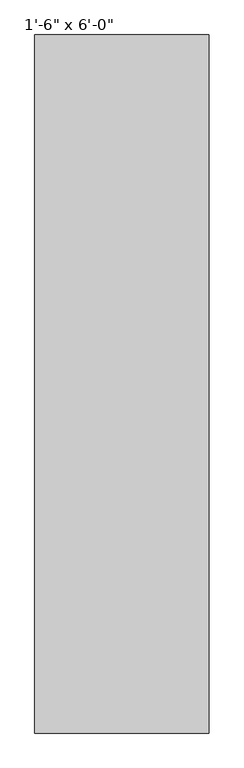
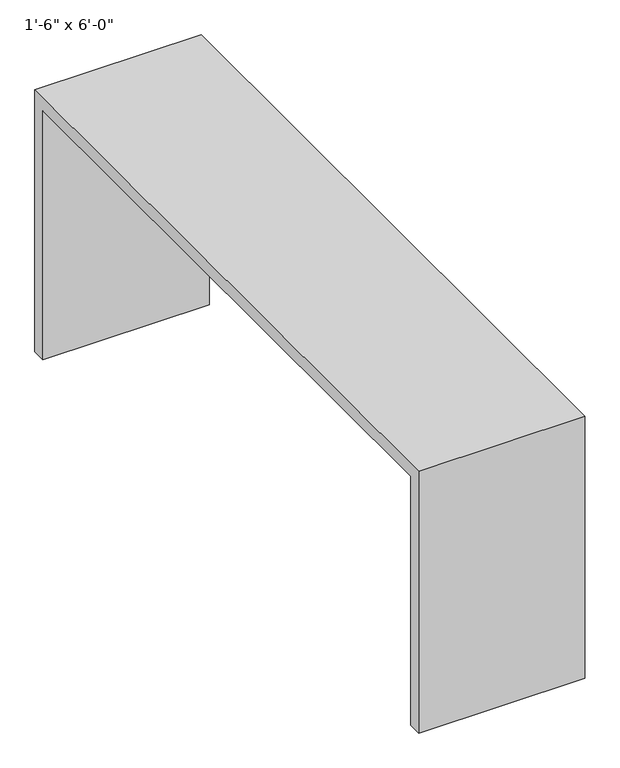
"""IFC4 building model written with IfcOpenShell, lengths in millimetres: furniture geometry."""

from ifc_helpers import new_model, si_unit, frame, origin, place, context, project, spatial, polyline, outline, extrude, source, transform, mapped, element, save


def furniture_396cf029(model_context):
    return source(origin(), model_context, "Body", "SweptSolid", [
        extrude(outline(polyline([(38.1, 0.0), (0.0, 0.0), (0.0, 762.0), (1828.8, 762.0), (1828.8, 0.0), (1790.7, 0.0), (1790.7, 723.9), (38.1, 723.9), (38.1, 0.0)])), frame((-228.6, 0.0, 0.0), z_axis=(1.0, 0.0, 0.0), x_axis=(0.0, 1.0, 0.0)), (0.0, 0.0, 1.0), 457.2),
    ])


if __name__ == "__main__":
    model = new_model("IFC4")
    model_context = context("Model", 3, world=origin())
    ifc_project = project(units=[si_unit("LENGTHUNIT", "METRE", prefix="MILLI")], contexts=[model_context])
    site = spatial("IfcSite", under=ifc_project)
    building = spatial("IfcBuilding", under=site)
    placement = place(None, origin())
    furniture_shape = furniture_396cf029(model_context)
    element("IfcFurniture", 1, ObjectType="1'-6\" x 6'-0\"", at=placement, inside=building, context=model_context, shape_type="MappedRepresentation", body=[
        mapped(furniture_shape, transform((0.0, 0.0, 0.0), x_axis=(1.0, 0.0, 0.0), y_axis=(0.0, 1.0, 0.0), z_axis=(0.0, 0.0, 1.0))),
    ])
    save(model, "model.ifc")
